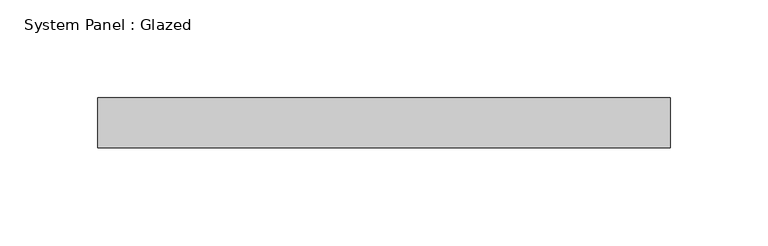
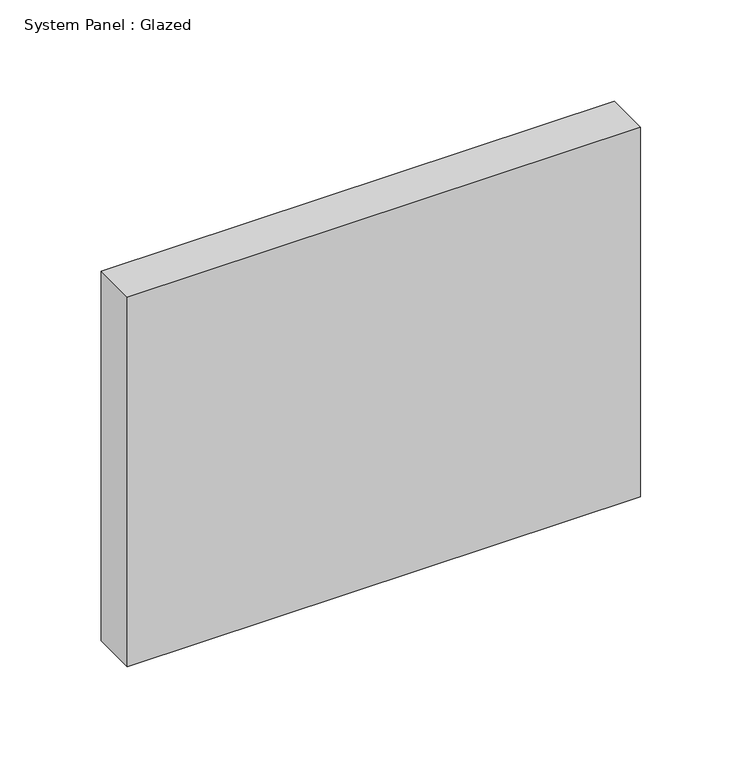
"""IFC4 building model written with IfcOpenShell, lengths in millimetres: plate geometry, System Panel : Glazed."""

from ifc_helpers import new_model, si_unit, origin, origin_with_axes, place, context, project, spatial, polyline, outline, extrude, source, transform, mapped, element, save


def system_panel_glazed_4c01f91c(model_context):
    return source(origin(), model_context, "Body", "SweptSolid", [
        extrude(outline(polyline([(146.05, 19.05), (-146.05, 19.05), (-146.05, 44.45), (146.05, 44.45), (146.05, 19.05)])), origin_with_axes(), (0.0, 0.0, 1.0), 222.25),
    ])


if __name__ == "__main__":
    model = new_model("IFC4")
    model_context = context("Model", 3, world=origin())
    ifc_project = project(units=[si_unit("LENGTHUNIT", "METRE", prefix="MILLI")], contexts=[model_context])
    site = spatial("IfcSite", under=ifc_project)
    building = spatial("IfcBuilding", under=site)
    placement = place(None, origin())
    system_panel_glazed_shape = system_panel_glazed_4c01f91c(model_context)
    element("IfcPlate", 1, ObjectType="System Panel : Glazed", at=placement, inside=building, context=model_context, shape_type="MappedRepresentation", body=[
        mapped(system_panel_glazed_shape, transform((0.0, 0.0, 0.0), x_axis=(1.0, 0.0, 0.0), y_axis=(0.0, 1.0, 0.0), z_axis=(0.0, 0.0, 1.0))),
    ])
    save(model, "model.ifc")
